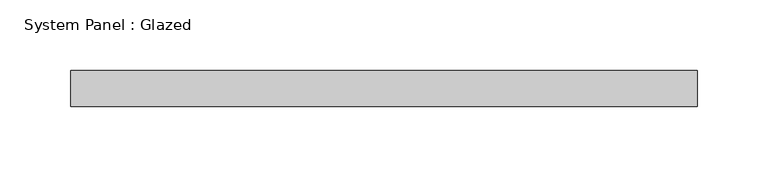
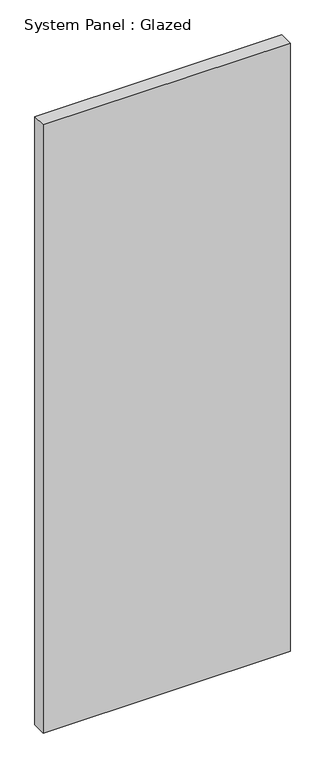
"""IFC4 building model written with IfcOpenShell, lengths in millimetres: plate geometry, System Panel : Glazed."""

from ifc_helpers import new_model, si_unit, origin, origin_with_axes, place, context, project, spatial, polyline, outline, extrude, source, transform, mapped, element, save


def system_panel_glazed_bdc6bab3(model_context):
    return source(origin(), model_context, "Body", "SweptSolid", [
        extrude(outline(polyline([(220.6625, -12.7), (-220.6625, -12.7), (-220.6625, 12.7), (220.6625, 12.7), (220.6625, -12.7)])), origin_with_axes(), (0.0, 0.0, 1.0), 1149.35),
    ])


if __name__ == "__main__":
    model = new_model("IFC4")
    model_context = context("Model", 3, world=origin())
    ifc_project = project(units=[si_unit("LENGTHUNIT", "METRE", prefix="MILLI")], contexts=[model_context])
    site = spatial("IfcSite", under=ifc_project)
    building = spatial("IfcBuilding", under=site)
    placement = place(None, origin())
    system_panel_glazed_shape = system_panel_glazed_bdc6bab3(model_context)
    element("IfcPlate", 1, ObjectType="System Panel : Glazed", at=placement, inside=building, context=model_context, shape_type="MappedRepresentation", body=[
        mapped(system_panel_glazed_shape, transform((0.0, 0.0, 0.0), x_axis=(1.0, 0.0, 0.0), y_axis=(0.0, 1.0, 0.0), z_axis=(0.0, 0.0, 1.0))),
    ])
    save(model, "model.ifc")
